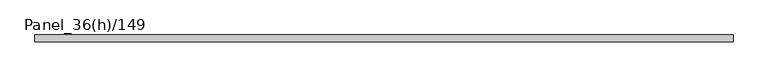
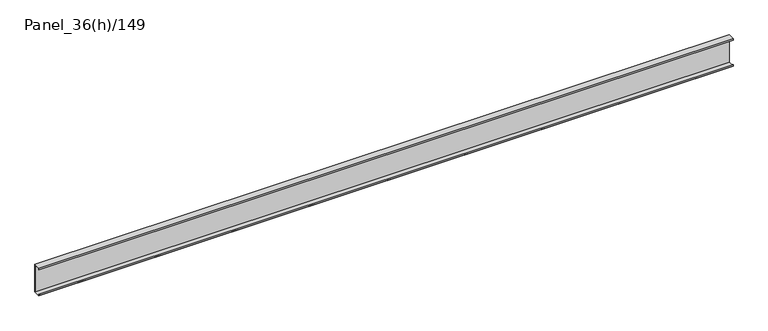
"""IFC4 building model written with IfcOpenShell, lengths in millimetres: plate geometry, Panel_36(h)/149."""

import ifcopenshell
import ifcopenshell.guid

model = None  # the IFC model being written
_history = None  # IfcOwnerHistory: only IFC2X3 demands one
_inside = {}  # id of a spatial element -> (the spatial element, [elements in it])
_under = {}  # id of a project, library or spatial element -> (it, [spatial elements below it])
_declared = {}  # id of a project -> (the project, [libraries it declares])
_typed = {}  # id of a type object -> (the type object, [elements of that type])
_made_of = {}  # id of a material, layer set ... -> (it, [elements and type objects made of it])


def new_model(schema):
    """Start an empty IFC model of exactly this schema.

    Asked for "IFC4X3", IfcOpenShell would pick the latest addendum, in which some entities
    have other attributes; the version numbers below select the first issue.
    IFC2X3 requires an IfcOwnerHistory on every rooted entity: one is made here for all.
    """
    global model, _history
    if schema == "IFC4X3":
        model = ifcopenshell.file(schema_version=(4, 3, 0, 0))
    else:
        model = ifcopenshell.file(schema=schema)
    _inside.clear()
    _under.clear()
    _declared.clear()
    _typed.clear()
    _made_of.clear()
    _history = None
    if model.schema == "IFC2X3":
        org = make("IfcOrganization", Name="unknown")
        user = make(
            "IfcPersonAndOrganization",
            ThePerson=make("IfcPerson", FamilyName="unknown"),
            TheOrganization=org,
        )
        app = make(
            "IfcApplication",
            ApplicationDeveloper=org,
            Version="unknown",
            ApplicationFullName="unknown",
            ApplicationIdentifier="unknown",
        )
        _history = make(
            "IfcOwnerHistory",
            OwningUser=user,
            OwningApplication=app,
            ChangeAction="ADDED",
            CreationDate=0,
        )
    return model


def make(cls, **values):
    """One entity of the class cls with the attributes given. An attribute that is None is left unset."""
    return model.create_entity(
        cls, **{name: value for name, value in values.items() if value is not None}
    )


def rooted(cls, **values):
    """An entity with a GlobalId (a new one), such as an element, a storey or a relation."""
    return make(cls, GlobalId=ifcopenshell.guid.new(), OwnerHistory=_history, **values)


def si_unit(unit_type, name, prefix=None):
    """IfcSIUnit, for example si_unit("LENGTHUNIT", "METRE", prefix="MILLI")."""
    return make("IfcSIUnit", UnitType=unit_type, Prefix=prefix, Name=name)


def assignment(units):
    """IfcUnitAssignment: the units of a project."""
    return None if units is None else make("IfcUnitAssignment", Units=units)


def point(xyz):
    """IfcCartesianPoint."""
    return None if xyz is None else make("IfcCartesianPoint", Coordinates=xyz)


def direction(xyz):
    """IfcDirection."""
    return None if xyz is None else make("IfcDirection", DirectionRatios=xyz)


def frame(location, z_axis=None, x_axis=None):
    """IfcAxis2Placement3D, a coordinate frame: its origin and axes. An axis left out is left unset."""
    return make(
        "IfcAxis2Placement3D",
        Location=point(location),
        Axis=direction(z_axis),
        RefDirection=direction(x_axis),
    )


def origin():
    """The frame at (0, 0, 0) with its axes left unset."""
    return frame((0.0, 0.0, 0.0))


def place(relative_to, where):
    """IfcLocalPlacement: puts the frame where relative to a parent placement (None: the world)."""
    return make(
        "IfcLocalPlacement", PlacementRelTo=relative_to, RelativePlacement=where
    )


def context(
    kind, dimensions, precision=None, world=None, true_north=None, identifier=None
):
    """IfcGeometricRepresentationContext, for example the 3D "Model" context."""
    return make(
        "IfcGeometricRepresentationContext",
        ContextIdentifier=identifier,
        ContextType=kind,
        CoordinateSpaceDimension=dimensions,
        Precision=precision,
        WorldCoordinateSystem=world,
        TrueNorth=true_north,
    )


def project(units=None, contexts=None):
    """IfcProject with its units and contexts."""
    return rooted(
        "IfcProject",
        Name="project",
        RepresentationContexts=contexts,
        UnitsInContext=assignment(units),
    )


def spatial(cls, under=None, at=None, **own):
    """A site, building, storey or space (cls), placed at a placement, below another one or the project."""
    s = rooted(cls, ObjectPlacement=at, **own)
    if under is not None:
        _under.setdefault(under.id(), (under, []))[1].append(s)
    return s


def polyline(points):
    """IfcPolyline through the points."""
    return make("IfcPolyline", Points=[point(p) for p in points])


def outline(outer, holes=None, kind="AREA"):
    """IfcArbitraryClosedProfileDef: a profile drawn as a closed curve; with holes, ...WithVoids."""
    if holes is None:
        return make("IfcArbitraryClosedProfileDef", ProfileType=kind, OuterCurve=outer)
    return make(
        "IfcArbitraryProfileDefWithVoids",
        ProfileType=kind,
        OuterCurve=outer,
        InnerCurves=holes,
    )


def extrude(swept, where, along, depth):
    """IfcExtrudedAreaSolid: the profile swept, set in the frame where, extruded along a direction by depth."""
    return make(
        "IfcExtrudedAreaSolid",
        SweptArea=swept,
        Position=where,
        ExtrudedDirection=direction(along),
        Depth=depth,
    )


def shape(context_of_items, identifier, shape_type, items):
    """IfcShapeRepresentation: the items that make up one representation, for example the "Body"."""
    return make(
        "IfcShapeRepresentation",
        ContextOfItems=context_of_items,
        RepresentationIdentifier=identifier,
        RepresentationType=shape_type,
        Items=items,
    )


def source(mapping_origin, context_of_items, identifier, shape_type, items):
    """IfcRepresentationMap: a shape defined once, which mapped items show again and again."""
    return make(
        "IfcRepresentationMap",
        MappingOrigin=mapping_origin,
        MappedRepresentation=shape(context_of_items, identifier, shape_type, items),
    )


def transform(
    local_origin,
    x_axis=None,
    y_axis=None,
    z_axis=None,
    scale=None,
    scale2=None,
    scale3=None,
    uniform=True,
):
    """IfcCartesianTransformationOperator3D, or its non-uniform kind. x_axis, y_axis, z_axis: its Axis1, 2, 3."""
    if uniform:
        return make(
            "IfcCartesianTransformationOperator3D",
            Axis1=direction(x_axis),
            Axis2=direction(y_axis),
            LocalOrigin=point(local_origin),
            Scale=scale,
            Axis3=direction(z_axis),
        )
    return make(
        "IfcCartesianTransformationOperator3DnonUniform",
        Axis1=direction(x_axis),
        Axis2=direction(y_axis),
        LocalOrigin=point(local_origin),
        Scale=scale,
        Axis3=direction(z_axis),
        Scale2=scale2,
        Scale3=scale3,
    )


def mapped(mapping_source, mapping_target):
    """IfcMappedItem: shows the shape of a source again, moved by a transform."""
    return make(
        "IfcMappedItem", MappingSource=mapping_source, MappingTarget=mapping_target
    )


def made_of(thing, what):
    """Note that an element or type object is made of a material, layer set ...; save() writes the relation."""
    if what is not None:
        _made_of.setdefault(what.id(), (what, []))[1].append(thing)
    return thing


def element(
    cls,
    number,
    at=None,
    inside=None,
    cuts=None,
    type_object=None,
    material=None,
    context=None,
    identifier="Body",
    shape_type=None,
    held_by="IfcProductDefinitionShape",
    body=None,
    shapes=None,
    **own,
):
    """One element of the class cls, such as IfcWall. Its Tag is "e" and its number.

    at: its placement. inside: the storey or other place that contains it. cuts: it is an
    opening in that element (IfcRelVoidsElement). A single representation is given by context,
    identifier, shape_type and body (its items); several are given by shapes. held_by: the class
    of the entity that holds the representations. save() writes the other relations.
    """
    e = rooted(cls, Tag="e%d" % number, ObjectPlacement=at, **own)
    if body is not None:
        shapes = [shape(context, identifier, shape_type, body)]
    if shapes is not None:
        e.Representation = make(held_by, Representations=shapes)
    if inside is not None:
        _inside.setdefault(inside.id(), (inside, []))[1].append(e)
    if cuts is not None:
        rooted(
            "IfcRelVoidsElement", RelatingBuildingElement=cuts, RelatedOpeningElement=e
        )
    if type_object is not None:
        _typed.setdefault(type_object.id(), (type_object, []))[1].append(e)
    return made_of(e, material)


def aggregate(whole, parts):
    """IfcRelAggregates: a whole, such as a stair, and the parts it consists of."""
    return rooted("IfcRelAggregates", RelatingObject=whole, RelatedObjects=parts)


def save(model, path):
    """Write the relations noted so far, then the file.

    IfcRelAggregates (storeys below a building ...), IfcRelContainedInSpatialStructure (elements
    in a storey), IfcRelDefinesByType, IfcRelAssociatesMaterial and IfcRelDeclares: one each for
    every whole, place, type object, material and project.
    """
    for whole, parts in _under.values():
        aggregate(whole, parts)
    for where, things in _inside.values():
        rooted(
            "IfcRelContainedInSpatialStructure",
            RelatedElements=things,
            RelatingStructure=where,
        )
    for kind, things in _typed.values():
        rooted("IfcRelDefinesByType", RelatedObjects=things, RelatingType=kind)
    for what, things in _made_of.values():
        rooted("IfcRelAssociatesMaterial", RelatedObjects=things, RelatingMaterial=what)
    for by, libraries in _declared.values():
        rooted("IfcRelDeclares", RelatingContext=by, RelatedDefinitions=libraries)
    model.write(path)


def panel_36_h_149_1a74e8ed(model_context):
    return source(origin(), model_context, "Body", "SweptSolid", [
        extrude(outline(polyline([(1780.0000002, 36.0), (1780.0000002, 35.2), (-1780.0000002, 35.2), (-1780.0000002, 36.0), (1780.0000002, 36.0)])), frame((0.0, 0.0, 3.9510394), z_axis=(0.0, 0.0, 1.0), x_axis=(1.0, 0.0, 0.0)), (0.0, 0.0, 1.0), 143.0),
        extrude(outline(polyline([(0.0, 149.9510394), (36.0, 149.9510394), (36.0, 146.9510394), (35.2, 146.9510394), (35.2, 149.1510394), (0.8, 149.1510394), (0.8, 141.9510394), (0.0, 141.9510394), (0.0, 149.9510394)])), frame((-1780.0000002, 0.0, 0.0), z_axis=(1.0, 0.0, 0.0), x_axis=(0.0, 1.0, 0.0)), (0.0, 0.0, 1.0), 3560.0000003),
        extrude(outline(polyline([(0.0, 0.9510394), (0.0, 8.9510394), (0.8, 8.9510394), (0.8, 1.7510394), (35.2, 1.7510394), (35.2, 3.9510394), (36.0, 3.9510394), (36.0, 0.9510394), (0.0, 0.9510394)])), frame((-1780.0000002, 0.0, 0.0), z_axis=(1.0, 0.0, 0.0), x_axis=(0.0, 1.0, 0.0)), (0.0, 0.0, 1.0), 3560.0000003),
        extrude(outline(polyline([(1780.0000002, 35.2), (1780.0000002, 33.7), (-1780.0000002, 33.7), (-1780.0000002, 35.2), (1780.0000002, 35.2)])), frame((0.0, 0.0, 1.7510394), z_axis=(0.0, 0.0, 1.0), x_axis=(1.0, 0.0, 0.0)), (0.0, 0.0, 1.0), 147.4),
    ])


if __name__ == "__main__":
    model = new_model("IFC4")
    model_context = context("Model", 3, world=origin())
    ifc_project = project(units=[si_unit("LENGTHUNIT", "METRE", prefix="MILLI")], contexts=[model_context])
    site = spatial("IfcSite", under=ifc_project)
    building = spatial("IfcBuilding", under=site)
    placement = place(None, origin())
    panel_36_h_149_shape = panel_36_h_149_1a74e8ed(model_context)
    element("IfcPlate", 1, ObjectType="Panel_36(h)/149", at=placement, inside=building, context=model_context, shape_type="MappedRepresentation", body=[
        mapped(panel_36_h_149_shape, transform((0.0, 0.0, 0.0), x_axis=(1.0, 0.0, 0.0), y_axis=(0.0, 1.0, 0.0), z_axis=(0.0, 0.0, 1.0))),
    ])
    save(model, "model.ifc")
